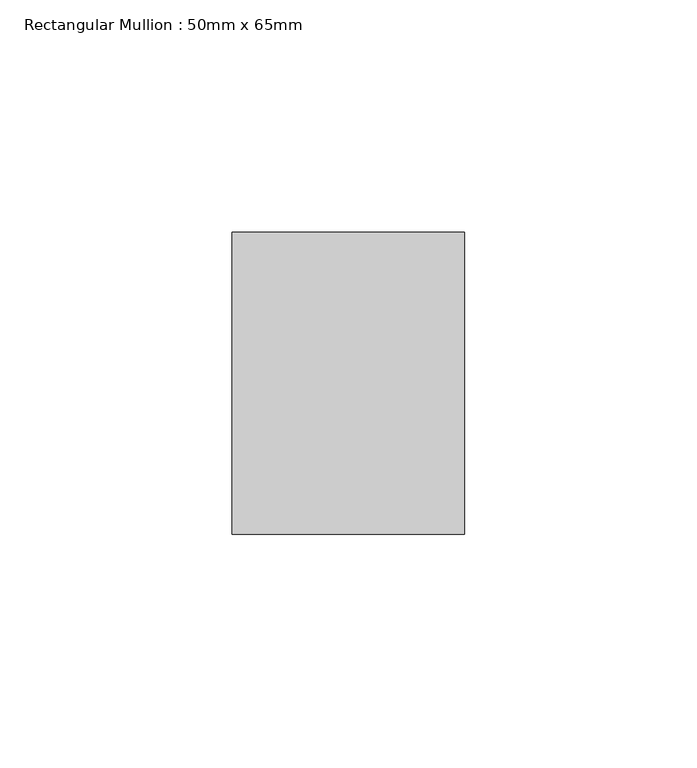
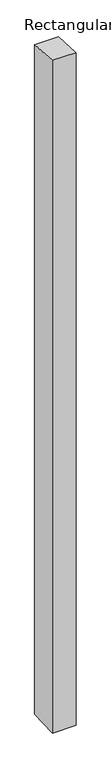
"""IFC4 building model written with IfcOpenShell, lengths in millimetres: member geometry, Rectangular Mullion : 50mm x 65mm."""

from ifc_helpers import new_model, si_unit, origin, place, context, project, spatial, faceted_brep, source, transform, mapped, element, save


def rectangular_mullion_50mm_x_65mm_91426435(model_context):
    return source(origin(), model_context, "Body", "Brep", [
        faceted_brep([(-25.0, 32.5, -2.1659779), (25.0, 32.5, -2.1659788), (25.0, 32.5, -1498.758852), (-25.0, 32.5, -1498.7588525), (-25.0, -32.5, 2.1659788), (-25.0, -32.5, -1501.2410354), (25.0, -32.5, 2.1659779), (25.0, -32.5, -1501.2410349)], [[[0, 1, 2, 3]], [[4, 0, 3, 5]], [[6, 4, 5, 7]], [[1, 6, 7, 2]], [[1, 0, 4, 6]], [[2, 7, 5, 3]]]),
    ])


if __name__ == "__main__":
    model = new_model("IFC4")
    model_context = context("Model", 3, world=origin())
    ifc_project = project(units=[si_unit("LENGTHUNIT", "METRE", prefix="MILLI")], contexts=[model_context])
    site = spatial("IfcSite", under=ifc_project)
    building = spatial("IfcBuilding", under=site)
    placement = place(None, origin())
    rectangular_mullion_50mm_x_65mm_shape = rectangular_mullion_50mm_x_65mm_91426435(model_context)
    element("IfcMember", 1, ObjectType="Rectangular Mullion : 50mm x 65mm", at=placement, inside=building, context=model_context, shape_type="MappedRepresentation", body=[
        mapped(rectangular_mullion_50mm_x_65mm_shape, transform((0.0, 0.0, 0.0), x_axis=(1.0, 0.0, 0.0), y_axis=(0.0, 1.0, 0.0), z_axis=(0.0, 0.0, 1.0))),
    ])
    save(model, "model.ifc")
